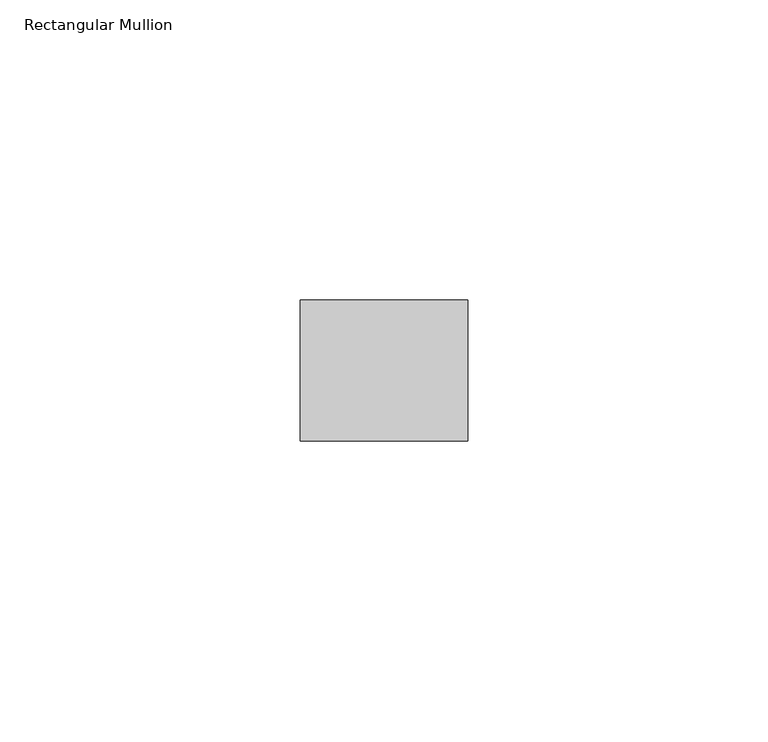
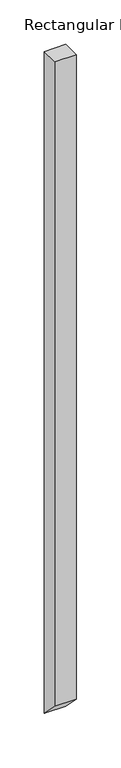
"""IFC4 building model written with IfcOpenShell, lengths in millimetres: member geometry, Rectangular Mullion."""

import ifcopenshell
import ifcopenshell.guid

model = None  # the IFC model being written
_history = None  # IfcOwnerHistory: only IFC2X3 demands one
_inside = {}  # id of a spatial element -> (the spatial element, [elements in it])
_under = {}  # id of a project, library or spatial element -> (it, [spatial elements below it])
_declared = {}  # id of a project -> (the project, [libraries it declares])
_typed = {}  # id of a type object -> (the type object, [elements of that type])
_made_of = {}  # id of a material, layer set ... -> (it, [elements and type objects made of it])


def new_model(schema):
    """Start an empty IFC model of exactly this schema.

    Asked for "IFC4X3", IfcOpenShell would pick the latest addendum, in which some entities
    have other attributes; the version numbers below select the first issue.
    IFC2X3 requires an IfcOwnerHistory on every rooted entity: one is made here for all.
    """
    global model, _history
    if schema == "IFC4X3":
        model = ifcopenshell.file(schema_version=(4, 3, 0, 0))
    else:
        model = ifcopenshell.file(schema=schema)
    _inside.clear()
    _under.clear()
    _declared.clear()
    _typed.clear()
    _made_of.clear()
    _history = None
    if model.schema == "IFC2X3":
        org = make("IfcOrganization", Name="unknown")
        user = make(
            "IfcPersonAndOrganization",
            ThePerson=make("IfcPerson", FamilyName="unknown"),
            TheOrganization=org,
        )
        app = make(
            "IfcApplication",
            ApplicationDeveloper=org,
            Version="unknown",
            ApplicationFullName="unknown",
            ApplicationIdentifier="unknown",
        )
        _history = make(
            "IfcOwnerHistory",
            OwningUser=user,
            OwningApplication=app,
            ChangeAction="ADDED",
            CreationDate=0,
        )
    return model


def make(cls, **values):
    """One entity of the class cls with the attributes given. An attribute that is None is left unset."""
    return model.create_entity(
        cls, **{name: value for name, value in values.items() if value is not None}
    )


def rooted(cls, **values):
    """An entity with a GlobalId (a new one), such as an element, a storey or a relation."""
    return make(cls, GlobalId=ifcopenshell.guid.new(), OwnerHistory=_history, **values)


def si_unit(unit_type, name, prefix=None):
    """IfcSIUnit, for example si_unit("LENGTHUNIT", "METRE", prefix="MILLI")."""
    return make("IfcSIUnit", UnitType=unit_type, Prefix=prefix, Name=name)


def assignment(units):
    """IfcUnitAssignment: the units of a project."""
    return None if units is None else make("IfcUnitAssignment", Units=units)


def point(xyz):
    """IfcCartesianPoint."""
    return None if xyz is None else make("IfcCartesianPoint", Coordinates=xyz)


def direction(xyz):
    """IfcDirection."""
    return None if xyz is None else make("IfcDirection", DirectionRatios=xyz)


def frame(location, z_axis=None, x_axis=None):
    """IfcAxis2Placement3D, a coordinate frame: its origin and axes. An axis left out is left unset."""
    return make(
        "IfcAxis2Placement3D",
        Location=point(location),
        Axis=direction(z_axis),
        RefDirection=direction(x_axis),
    )


def origin():
    """The frame at (0, 0, 0) with its axes left unset."""
    return frame((0.0, 0.0, 0.0))


def place(relative_to, where):
    """IfcLocalPlacement: puts the frame where relative to a parent placement (None: the world)."""
    return make(
        "IfcLocalPlacement", PlacementRelTo=relative_to, RelativePlacement=where
    )


def context(
    kind, dimensions, precision=None, world=None, true_north=None, identifier=None
):
    """IfcGeometricRepresentationContext, for example the 3D "Model" context."""
    return make(
        "IfcGeometricRepresentationContext",
        ContextIdentifier=identifier,
        ContextType=kind,
        CoordinateSpaceDimension=dimensions,
        Precision=precision,
        WorldCoordinateSystem=world,
        TrueNorth=true_north,
    )


def project(units=None, contexts=None):
    """IfcProject with its units and contexts."""
    return rooted(
        "IfcProject",
        Name="project",
        RepresentationContexts=contexts,
        UnitsInContext=assignment(units),
    )


def spatial(cls, under=None, at=None, **own):
    """A site, building, storey or space (cls), placed at a placement, below another one or the project."""
    s = rooted(cls, ObjectPlacement=at, **own)
    if under is not None:
        _under.setdefault(under.id(), (under, []))[1].append(s)
    return s


def polyline(points):
    """IfcPolyline through the points."""
    return make("IfcPolyline", Points=[point(p) for p in points])


def outline(outer, holes=None, kind="AREA"):
    """IfcArbitraryClosedProfileDef: a profile drawn as a closed curve; with holes, ...WithVoids."""
    if holes is None:
        return make("IfcArbitraryClosedProfileDef", ProfileType=kind, OuterCurve=outer)
    return make(
        "IfcArbitraryProfileDefWithVoids",
        ProfileType=kind,
        OuterCurve=outer,
        InnerCurves=holes,
    )


def extrude(swept, where, along, depth):
    """IfcExtrudedAreaSolid: the profile swept, set in the frame where, extruded along a direction by depth."""
    return make(
        "IfcExtrudedAreaSolid",
        SweptArea=swept,
        Position=where,
        ExtrudedDirection=direction(along),
        Depth=depth,
    )


def shape(context_of_items, identifier, shape_type, items):
    """IfcShapeRepresentation: the items that make up one representation, for example the "Body"."""
    return make(
        "IfcShapeRepresentation",
        ContextOfItems=context_of_items,
        RepresentationIdentifier=identifier,
        RepresentationType=shape_type,
        Items=items,
    )


def source(mapping_origin, context_of_items, identifier, shape_type, items):
    """IfcRepresentationMap: a shape defined once, which mapped items show again and again."""
    return make(
        "IfcRepresentationMap",
        MappingOrigin=mapping_origin,
        MappedRepresentation=shape(context_of_items, identifier, shape_type, items),
    )


def transform(
    local_origin,
    x_axis=None,
    y_axis=None,
    z_axis=None,
    scale=None,
    scale2=None,
    scale3=None,
    uniform=True,
):
    """IfcCartesianTransformationOperator3D, or its non-uniform kind. x_axis, y_axis, z_axis: its Axis1, 2, 3."""
    if uniform:
        return make(
            "IfcCartesianTransformationOperator3D",
            Axis1=direction(x_axis),
            Axis2=direction(y_axis),
            LocalOrigin=point(local_origin),
            Scale=scale,
            Axis3=direction(z_axis),
        )
    return make(
        "IfcCartesianTransformationOperator3DnonUniform",
        Axis1=direction(x_axis),
        Axis2=direction(y_axis),
        LocalOrigin=point(local_origin),
        Scale=scale,
        Axis3=direction(z_axis),
        Scale2=scale2,
        Scale3=scale3,
    )


def mapped(mapping_source, mapping_target):
    """IfcMappedItem: shows the shape of a source again, moved by a transform."""
    return make(
        "IfcMappedItem", MappingSource=mapping_source, MappingTarget=mapping_target
    )


def made_of(thing, what):
    """Note that an element or type object is made of a material, layer set ...; save() writes the relation."""
    if what is not None:
        _made_of.setdefault(what.id(), (what, []))[1].append(thing)
    return thing


def element(
    cls,
    number,
    at=None,
    inside=None,
    cuts=None,
    type_object=None,
    material=None,
    context=None,
    identifier="Body",
    shape_type=None,
    held_by="IfcProductDefinitionShape",
    body=None,
    shapes=None,
    **own,
):
    """One element of the class cls, such as IfcWall. Its Tag is "e" and its number.

    at: its placement. inside: the storey or other place that contains it. cuts: it is an
    opening in that element (IfcRelVoidsElement). A single representation is given by context,
    identifier, shape_type and body (its items); several are given by shapes. held_by: the class
    of the entity that holds the representations. save() writes the other relations.
    """
    e = rooted(cls, Tag="e%d" % number, ObjectPlacement=at, **own)
    if body is not None:
        shapes = [shape(context, identifier, shape_type, body)]
    if shapes is not None:
        e.Representation = make(held_by, Representations=shapes)
    if inside is not None:
        _inside.setdefault(inside.id(), (inside, []))[1].append(e)
    if cuts is not None:
        rooted(
            "IfcRelVoidsElement", RelatingBuildingElement=cuts, RelatedOpeningElement=e
        )
    if type_object is not None:
        _typed.setdefault(type_object.id(), (type_object, []))[1].append(e)
    return made_of(e, material)


def aggregate(whole, parts):
    """IfcRelAggregates: a whole, such as a stair, and the parts it consists of."""
    return rooted("IfcRelAggregates", RelatingObject=whole, RelatedObjects=parts)


def save(model, path):
    """Write the relations noted so far, then the file.

    IfcRelAggregates (storeys below a building ...), IfcRelContainedInSpatialStructure (elements
    in a storey), IfcRelDefinesByType, IfcRelAssociatesMaterial and IfcRelDeclares: one each for
    every whole, place, type object, material and project.
    """
    for whole, parts in _under.values():
        aggregate(whole, parts)
    for where, things in _inside.values():
        rooted(
            "IfcRelContainedInSpatialStructure",
            RelatedElements=things,
            RelatingStructure=where,
        )
    for kind, things in _typed.values():
        rooted("IfcRelDefinesByType", RelatedObjects=things, RelatingType=kind)
    for what, things in _made_of.values():
        rooted("IfcRelAssociatesMaterial", RelatedObjects=things, RelatingMaterial=what)
    for by, libraries in _declared.values():
        rooted("IfcRelDeclares", RelatingContext=by, RelatedDefinitions=libraries)
    model.write(path)


def rectangular_mullion_afa377e4(model_context):
    return source(origin(), model_context, "Body", "SweptSolid", [
        extrude(outline(polyline([(-11.7474999, 0.0), (11.7474999, 0.0), (11.7474999, -909.1565346), (-11.7474999, -885.6615347), (-11.7474999, 0.0)])), frame((-27.94, 0.0, 0.0), z_axis=(1.0, 0.0, 0.0), x_axis=(0.0, 1.0, 0.0)), (0.0, 0.0, 1.0), 27.94),
    ])


if __name__ == "__main__":
    model = new_model("IFC4")
    model_context = context("Model", 3, world=origin())
    ifc_project = project(units=[si_unit("LENGTHUNIT", "METRE", prefix="MILLI")], contexts=[model_context])
    site = spatial("IfcSite", under=ifc_project)
    building = spatial("IfcBuilding", under=site)
    placement = place(None, origin())
    rectangular_mullion_shape = rectangular_mullion_afa377e4(model_context)
    element("IfcMember", 1, ObjectType="Rectangular Mullion", at=placement, inside=building, context=model_context, shape_type="MappedRepresentation", body=[
        mapped(rectangular_mullion_shape, transform((0.0, 0.0, 0.0), x_axis=(1.0, 0.0, 0.0), y_axis=(0.0, 1.0, 0.0), z_axis=(0.0, 0.0, 1.0))),
    ])
    save(model, "model.ifc")
